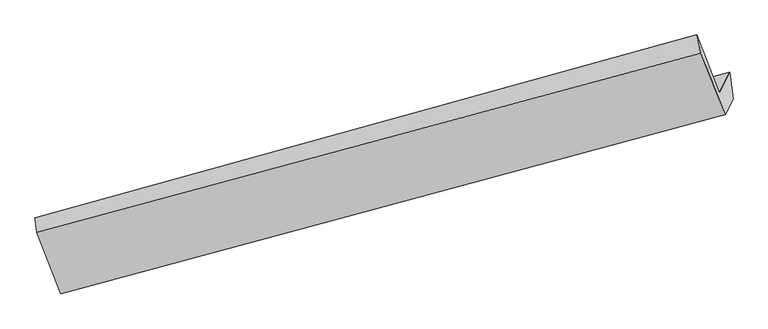
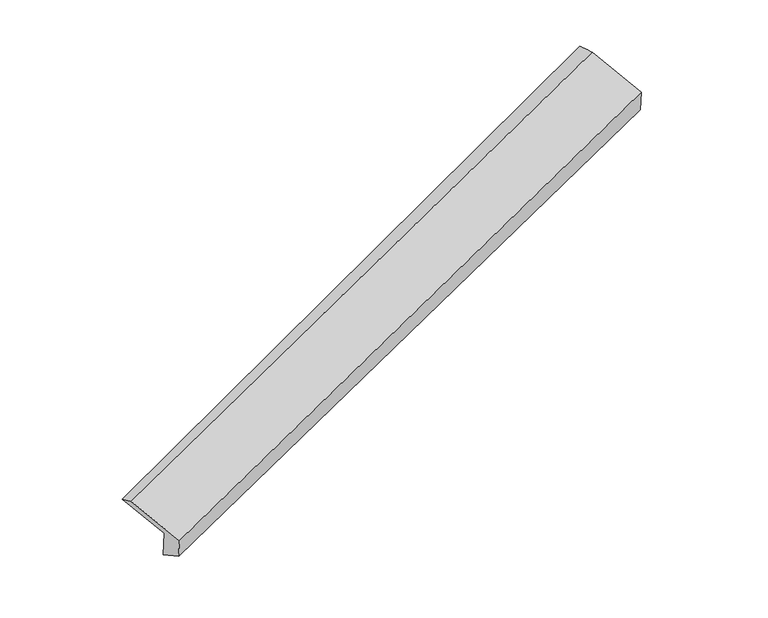
"""IFC4 building model written with IfcOpenShell, lengths in millimetres: proxy geometry."""

from ifc_helpers import new_model, si_unit, frame, origin, place, context, project, spatial, source, transform, mapped, element, save
from ifc_brep_helpers import plane_surface, spline_surface, advanced_brep


def generic_models_3a5718cd(model_context):
    return source(origin(), model_context, "Body", "AdvancedBrep", [
        advanced_brep(
        [(-5990.8193902, -2330.7481914, 407.4148388), (-6084.8462131, -2516.0949781, 818.4077693), (401.4563637, -770.399764, 3134.4270901), (503.6496031, -568.9552405, 2687.7386065), (-6287.8466001, -1997.1996389, 1005.9732882), (180.188579, -204.8105851, 3338.8710691), (-6269.2029443, -2139.6613286, 1060.9311436), (222.2036428, -383.905029, 3354.6407437), (-6035.2477805, -2737.6810953, 844.7644537), (457.8852542, -986.3378197, 3136.8788744), (-5965.8790411, -2600.9406147, 541.5524486), (536.2273642, -831.9089249, 2794.4441056)],
        [
            (0, 1),
            (1, 2),
            (2, 3),
            (3, 0),
            (1, 4),
            (4, 5),
            (5, 2),
            (4, 6),
            (6, 7),
            (7, 5),
            (6, 8),
            (8, 9),
            (9, 7),
            (8, 10),
            (10, 11),
            (11, 9),
            (10, 0),
            (3, 11),
        ],
        [
            plane_surface(frame((-6037.8328017, -2423.4215848, 612.911304), z_axis=(-0.35044104332795095, 0.8812228011892558, 0.3172340615624029), x_axis=(-0.20416041225564563, -0.40244342222796065, 0.8923888266742542))),
            plane_surface(frame((-6186.3464066, -2256.6473085, 912.1905287), z_axis=(0.2093141787377224, 0.40380507189706427, -0.8905779238727849), x_axis=(-0.3452895133729159, 0.8826048155110763, 0.31903587821960405))),
            spline_surface(1, 1, [[(-6287.8466001, -1997.1996389, 1005.9732882), (180.188579, -204.8105851, 3338.8710691)], [(-6269.2029443, -2139.6613286, 1060.9311436), (222.2036428, -383.905029, 3354.6407437)]], [2, 2], [2, 2], [0.0, 1.0], [0.0, 1.0]),
            plane_surface(frame((-6152.2253624, -2438.671212, 952.8477986), z_axis=(-0.20609385931346336, -0.40295554258991806, 0.891713043444665), x_axis=(0.3452895133729141, -0.8826048155110754, -0.3190358782196082))),
            plane_surface(frame((-6000.5634108, -2669.310855, 693.1584512), z_axis=(0.3497977173131389, -0.8813970782994522, -0.31745983577093184), x_axis=(0.2041604122556456, 0.4024434222279609, -0.8923888266742542))),
            spline_surface(1, 1, [[(-5965.8790411, -2600.9406147, 541.5524486), (536.2273642, -831.9089249, 2794.4441056)], [(-5990.8193902, -2330.7481914, 407.4148388), (503.6496031, -568.9552405, 2687.7386065)]], [2, 2], [2, 2], [0.0, 1.0], [0.0, 1.0]),
            plane_surface(frame((383.6018012, -624.3862272, 3074.5000816), z_axis=(0.9160205663751763, 0.24299800728012466, 0.319152456414783), x_axis=(0.2041604122556456, 0.4024434222279609, -0.8923888266742542))),
            plane_surface(frame((-6105.6403282, -2387.0543078, 779.840657), z_axis=(-0.9160205663751668, -0.24299800728014948, -0.31915245641479134), x_axis=(0.08239674881964548, -0.8926489794337531, 0.4431575061982266))),
        ],
        [
            (0, [[1, 2, 3, 4]]),
            (1, [[5, 6, 7, -2]]),
            (2, [[8, 9, 10, -6]]),
            (3, [[11, 12, 13, -9]]),
            (4, [[14, 15, 16, -12]]),
            (5, [[17, -4, 18, -15]]),
            (6, [[-16, -18, -3, -7, -10, -13]]),
            (7, [[-17, -14, -11, -8, -5, -1]]),
        ],
    ),
    ])


if __name__ == "__main__":
    model = new_model("IFC4")
    model_context = context("Model", 3, world=origin())
    ifc_project = project(units=[si_unit("LENGTHUNIT", "METRE", prefix="MILLI")], contexts=[model_context])
    site = spatial("IfcSite", under=ifc_project)
    building = spatial("IfcBuilding", under=site)
    placement = place(None, origin())
    generic_models_shape = generic_models_3a5718cd(model_context)
    element("IfcBuildingElementProxy", 1, Name="Generic Models", at=placement, inside=building, context=model_context, shape_type="MappedRepresentation", body=[
        mapped(generic_models_shape, transform((0.0, 0.0, 0.0), x_axis=(1.0, 0.0, 0.0), y_axis=(0.0, 1.0, 0.0), z_axis=(0.0, 0.0, 1.0))),
    ])
    save(model, "model.ifc")
